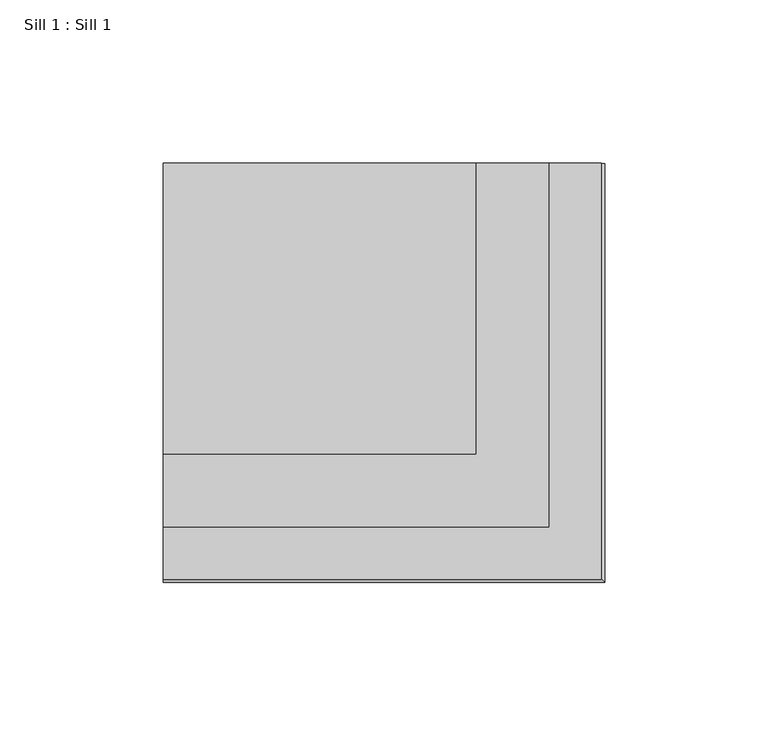
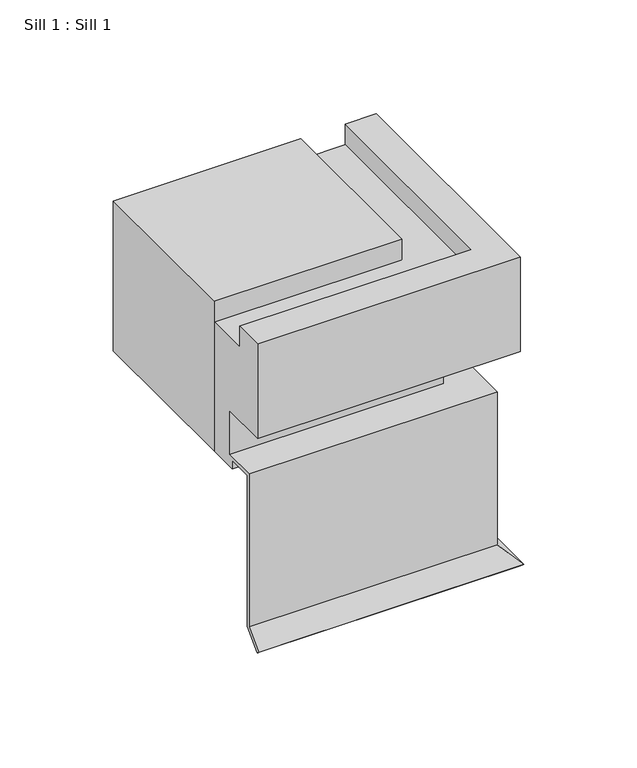
"""IFC4 building model written with IfcOpenShell, lengths in millimetres: proxy geometry, Sill 1 : Sill 1."""

from ifc_helpers import new_model, si_unit, frame, origin, place, context, project, spatial, polyline, outline, extrude, faceted_brep, source, transform, mapped, element, save


def sill_1_sill_1_9dc381cf(model_context):
    return source(origin(), model_context, "Body", "SolidModel", [
        extrude(outline(polyline([(16899.5876872, -22552.3917382), (16804.0098685, -22552.3917382), (16804.0098685, -22463.4376179), (16899.5876872, -22463.4376179), (16899.5876872, -22552.3917382)])), frame((0.0, 0.0, -2171.3227236), z_axis=(0.0, 0.0, 1.0), x_axis=(1.0, 0.0, 0.0)), (0.0, 0.0, 1.0), 80.9625),
        faceted_brep([(16804.0098685, -22565.8791382, -2164.9727236), (16804.0098685, -22565.8791382, -2141.1602236), (16804.0098685, -22590.7457382, -2141.1602236), (16804.0098685, -22590.7457382, -2090.3602236), (16804.0098685, -22574.8707382, -2090.3602236), (16804.0098685, -22574.8707382, -2101.4854236), (16804.0098685, -22552.3917382, -2101.4854236), (16804.0098685, -22552.3917382, -2171.3227236), (16804.0098685, -22568.2667382, -2171.3227236), (16804.0098685, -22568.2667382, -2166.5602236), (16804.0098685, -22581.6541459, -2166.5602236), (16804.0098685, -22581.6541459, -2247.9195986), (16804.0098685, -22590.634402, -2256.8998547), (16804.0098685, -22591.756934, -2255.7773227), (16804.0098685, -22583.2416459, -2247.2620346), (16804.0098685, -22583.2416459, -2164.9727236), (16913.0750872, -22565.8791382, -2164.9727236), (16913.0750872, -22565.8791382, -2141.1602236), (16913.0750872, -22463.4376179, -2141.1602236), (16937.9416872, -22463.4376179, -2141.1602236), (16937.9416872, -22590.7457382, -2141.1602236), (16937.9416872, -22590.7457382, -2090.3602236), (16937.9416872, -22463.4376179, -2090.3602236), (16922.0666872, -22463.4376179, -2090.3602236), (16922.0666872, -22574.8707382, -2090.3602236), (16922.0666872, -22574.8707382, -2101.4854236), (16922.0666872, -22463.4376179, -2101.4854236), (16899.5876872, -22463.4376179, -2101.4854236), (16899.5876872, -22552.3917382, -2101.4854236), (16899.5876872, -22552.3917382, -2171.3227236), (16899.5876872, -22463.4376179, -2171.3227236), (16915.4626872, -22463.4376179, -2171.3227236), (16915.4626872, -22568.2667382, -2171.3227236), (16915.4626872, -22568.2667382, -2166.5602236), (16915.4626872, -22463.4376179, -2166.5602236), (16928.8500949, -22463.4376179, -2166.5602236), (16928.8500949, -22581.6541459, -2166.5602236), (16928.8500949, -22581.6541459, -2247.9195986), (16937.830351, -22590.634402, -2256.8998547), (16938.952883, -22591.756934, -2255.7773227), (16930.4375949, -22583.2416459, -2247.2620346), (16930.4375949, -22583.2416459, -2164.9727236), (16930.4375949, -22463.4376179, -2164.9727236), (16913.0750872, -22463.4376179, -2164.9727236), (16930.4375949, -22463.4376179, -2247.2620346), (16938.952883, -22463.4376179, -2255.7773227), (16937.830351, -22463.4376179, -2256.8998547), (16928.8500949, -22463.4376179, -2247.9195986)], [[[0, 1, 2, 3, 4, 5, 6, 7, 8, 9, 10, 11, 12, 13, 14, 15]], [[1, 0, 16, 17]], [[2, 1, 17, 18, 19, 20]], [[3, 2, 20, 21]], [[4, 3, 21, 22, 23, 24]], [[5, 4, 24, 25]], [[6, 5, 25, 26, 27, 28]], [[7, 6, 28, 29]], [[8, 7, 29, 30, 31, 32]], [[9, 8, 32, 33]], [[10, 9, 33, 34, 35, 36]], [[11, 10, 36, 37]], [[12, 11, 37, 38]], [[13, 12, 38, 39]], [[14, 13, 39, 40]], [[15, 14, 40, 41]], [[0, 15, 41, 42, 43, 16]], [[43, 42, 44, 45, 46, 47, 35, 34, 31, 30, 27, 26, 23, 22, 19, 18]], [[17, 16, 43, 18]], [[21, 20, 19, 22]], [[25, 24, 23, 26]], [[29, 28, 27, 30]], [[33, 32, 31, 34]], [[37, 36, 35, 47]], [[38, 37, 47, 46]], [[39, 38, 46, 45]], [[40, 39, 45, 44]], [[41, 40, 44, 42]]]),
    ])


if __name__ == "__main__":
    model = new_model("IFC4")
    model_context = context("Model", 3, world=origin())
    ifc_project = project(units=[si_unit("LENGTHUNIT", "METRE", prefix="MILLI")], contexts=[model_context])
    site = spatial("IfcSite", under=ifc_project)
    building = spatial("IfcBuilding", under=site)
    placement = place(None, origin())
    sill_1_sill_1_shape = sill_1_sill_1_9dc381cf(model_context)
    element("IfcBuildingElementProxy", 1, Name="Sill 1 : Sill 1", ObjectType="Sill 1 : Sill 1", at=placement, inside=building, context=model_context, shape_type="MappedRepresentation", body=[
        mapped(sill_1_sill_1_shape, transform((0.0, 0.0, 0.0), x_axis=(1.0, 0.0, 0.0), y_axis=(0.0, 1.0, 0.0), z_axis=(0.0, 0.0, 1.0))),
    ])
    save(model, "model.ifc")
